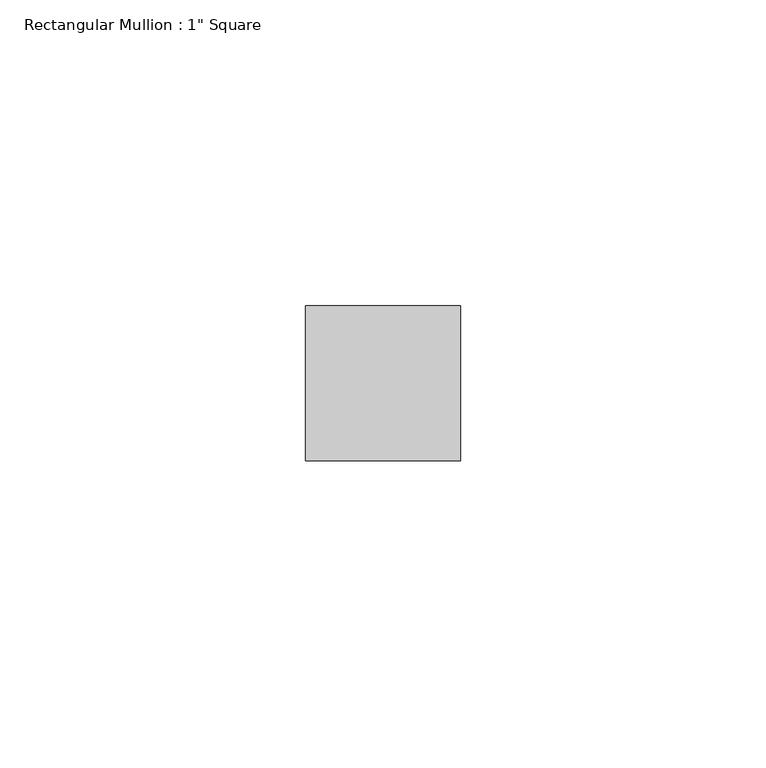
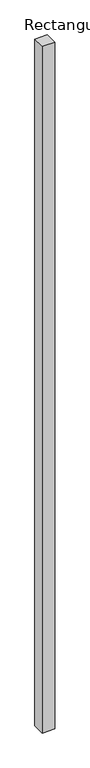
"""IFC4 building model written with IfcOpenShell, lengths in millimetres: member geometry."""

from ifc_helpers import new_model, si_unit, frame, origin, place, context, project, spatial, polyline, outline, extrude, source, transform, mapped, element, save


def member_e97a2786(model_context):
    return source(origin(), model_context, "Body", "SweptSolid", [
        extrude(outline(polyline([(12.7, 12.7), (12.7, -12.7), (-12.7, -12.7), (-12.7, 12.7), (12.7, 12.7)])), frame((0.0, 0.0, -1473.2), z_axis=(0.0, 0.0, 1.0), x_axis=(1.0, 0.0, 0.0)), (0.0, 0.0, 1.0), 1473.2),
    ])


if __name__ == "__main__":
    model = new_model("IFC4")
    model_context = context("Model", 3, world=origin())
    ifc_project = project(units=[si_unit("LENGTHUNIT", "METRE", prefix="MILLI")], contexts=[model_context])
    site = spatial("IfcSite", under=ifc_project)
    building = spatial("IfcBuilding", under=site)
    placement = place(None, origin())
    member_shape = member_e97a2786(model_context)
    element("IfcMember", 1, ObjectType="Rectangular Mullion : 1\" Square", at=placement, inside=building, context=model_context, shape_type="MappedRepresentation", body=[
        mapped(member_shape, transform((0.0, 0.0, 0.0), x_axis=(1.0, 0.0, 0.0), y_axis=(0.0, 1.0, 0.0), z_axis=(0.0, 0.0, 1.0))),
    ])
    save(model, "model.ifc")
